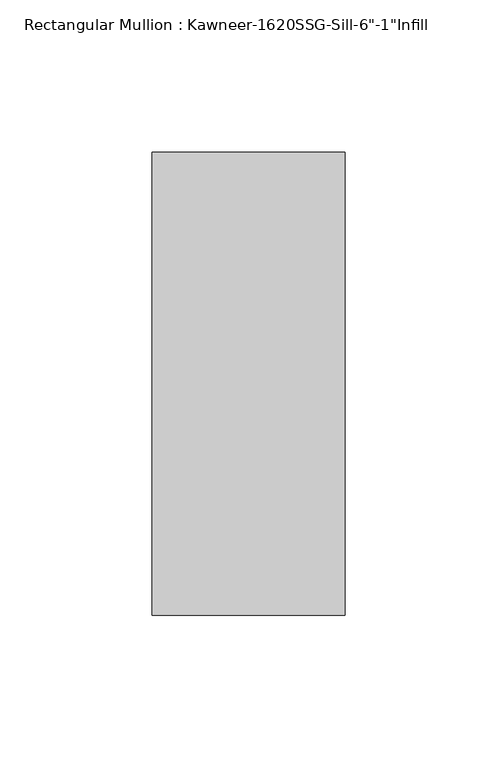
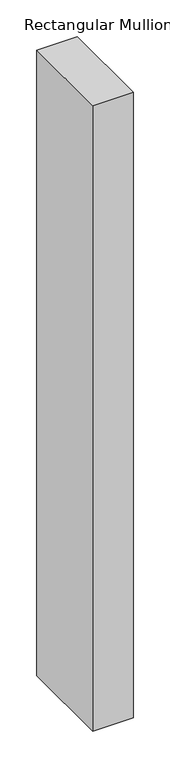
"""IFC4 building model written with IfcOpenShell, lengths in millimetres: member geometry."""

from ifc_helpers import new_model, si_unit, frame, origin, place, context, project, spatial, polyline, outline, extrude, source, transform, mapped, element, save


def member_15938e9b(model_context):
    return source(origin(), model_context, "Body", "SweptSolid", [
        extrude(outline(polyline([(-63.5, 38.1), (0.0, 38.1), (0.0, -114.3), (-63.5, -114.3), (-63.5, 38.1)])), frame((0.0, 0.0, -1040.4427726), z_axis=(0.0, 0.0, 1.0), x_axis=(1.0, 0.0, 0.0)), (0.0, 0.0, 1.0), 1040.4427726),
    ])


if __name__ == "__main__":
    model = new_model("IFC4")
    model_context = context("Model", 3, world=origin())
    ifc_project = project(units=[si_unit("LENGTHUNIT", "METRE", prefix="MILLI")], contexts=[model_context])
    site = spatial("IfcSite", under=ifc_project)
    building = spatial("IfcBuilding", under=site)
    placement = place(None, origin())
    member_shape = member_15938e9b(model_context)
    element("IfcMember", 1, ObjectType="Rectangular Mullion : Kawneer-1620SSG-Sill-6\"-1\"Infill", at=placement, inside=building, context=model_context, shape_type="MappedRepresentation", body=[
        mapped(member_shape, transform((0.0, 0.0, 0.0), x_axis=(1.0, 0.0, 0.0), y_axis=(0.0, 1.0, 0.0), z_axis=(0.0, 0.0, 1.0))),
    ])
    save(model, "model.ifc")
